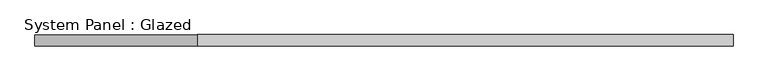
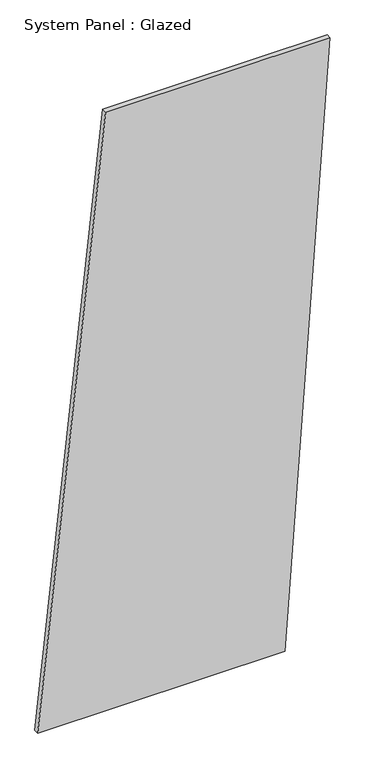
"""IFC4 building model written with IfcOpenShell, lengths in millimetres: plate geometry, System Panel : Glazed."""

from ifc_helpers import new_model, si_unit, frame, origin, place, context, project, spatial, polyline, outline, extrude, source, transform, mapped, element, save


def system_panel_glazed_4f58d07c(model_context):
    return source(origin(), model_context, "Body", "SweptSolid", [
        extrude(outline(polyline([(0.0, -771.4522097), (0.0, 532.3447103), (3334.6905248, 771.4522097), (3334.6905248, -412.7909606), (0.0, -771.4522097)])), frame((0.0, -49.5, 0.0), z_axis=(0.0, 1.0, 0.0), x_axis=(0.0, 0.0, 1.0)), (0.0, 0.0, 1.0), 25.0),
    ])


if __name__ == "__main__":
    model = new_model("IFC4")
    model_context = context("Model", 3, world=origin())
    ifc_project = project(units=[si_unit("LENGTHUNIT", "METRE", prefix="MILLI")], contexts=[model_context])
    site = spatial("IfcSite", under=ifc_project)
    building = spatial("IfcBuilding", under=site)
    placement = place(None, origin())
    system_panel_glazed_shape = system_panel_glazed_4f58d07c(model_context)
    element("IfcPlate", 1, ObjectType="System Panel : Glazed", at=placement, inside=building, context=model_context, shape_type="MappedRepresentation", body=[
        mapped(system_panel_glazed_shape, transform((0.0, 0.0, 0.0), x_axis=(1.0, 0.0, 0.0), y_axis=(0.0, 1.0, 0.0), z_axis=(0.0, 0.0, 1.0))),
    ])
    save(model, "model.ifc")
